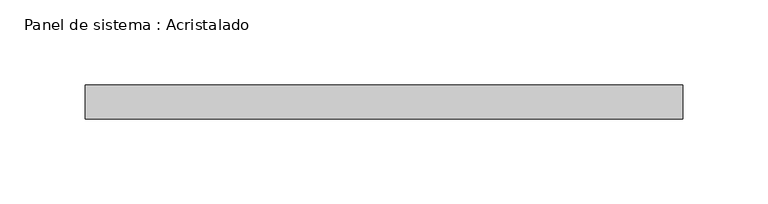
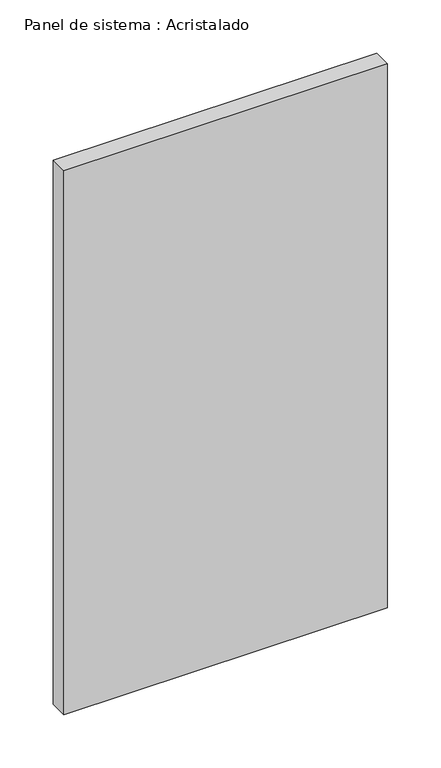
"""IFC4 building model written with IfcOpenShell, lengths in millimetres: plate geometry, Panel de sistema : Acristalado."""

from ifc_helpers import new_model, si_unit, origin, origin_with_axes, place, context, project, spatial, polyline, outline, extrude, source, transform, mapped, element, save


def panel_de_sistema_acristalado_6f5fddb8(model_context):
    return source(origin(), model_context, "Body", "SweptSolid", [
        extrude(outline(polyline([(175.8333333, -10.0), (-175.8333333, -10.0), (-175.8333333, 10.0), (175.8333333, 10.0), (175.8333333, -10.0)])), origin_with_axes(), (0.0, 0.0, 1.0), 625.0),
    ])


if __name__ == "__main__":
    model = new_model("IFC4")
    model_context = context("Model", 3, world=origin())
    ifc_project = project(units=[si_unit("LENGTHUNIT", "METRE", prefix="MILLI")], contexts=[model_context])
    site = spatial("IfcSite", under=ifc_project)
    building = spatial("IfcBuilding", under=site)
    placement = place(None, origin())
    panel_de_sistema_acristalado_shape = panel_de_sistema_acristalado_6f5fddb8(model_context)
    element("IfcPlate", 1, ObjectType="Panel de sistema : Acristalado", at=placement, inside=building, context=model_context, shape_type="MappedRepresentation", body=[
        mapped(panel_de_sistema_acristalado_shape, transform((0.0, 0.0, 0.0), x_axis=(1.0, 0.0, 0.0), y_axis=(0.0, 1.0, 0.0), z_axis=(0.0, 0.0, 1.0))),
    ])
    save(model, "model.ifc")
